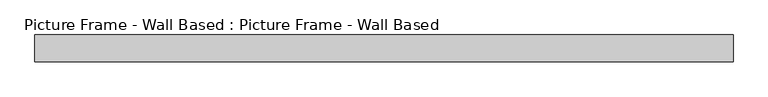
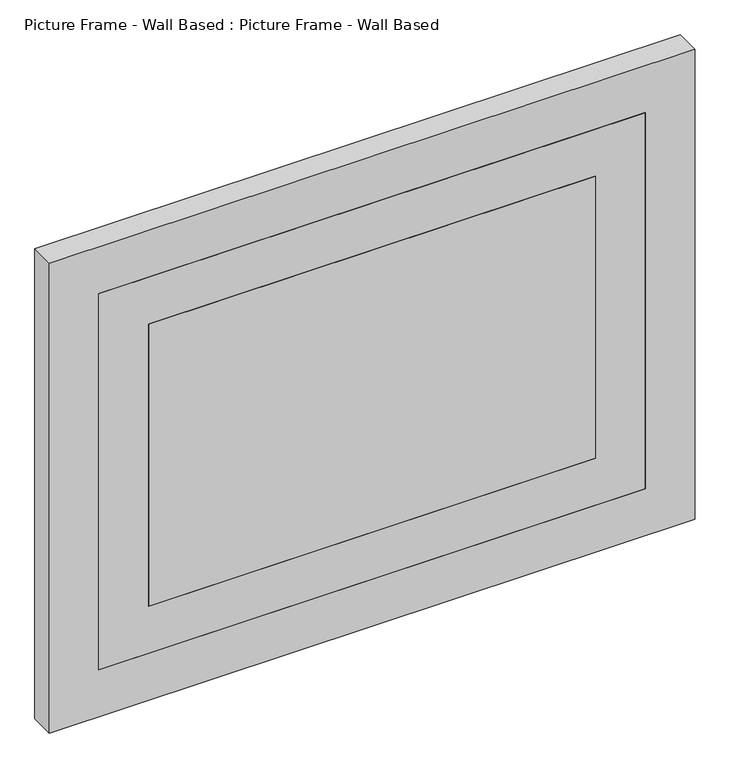
"""IFC4 building model written with IfcOpenShell, lengths in millimetres: proxy geometry, Picture Frame - Wall Based : Picture Frame - Wall Based."""

from ifc_helpers import new_model, si_unit, frame, origin, place, context, project, spatial, polyline, outline, extrude, source, transform, mapped, element, save


def picture_frame_wall_based_picture_frame_wall_based_8cbff1b0(model_context):
    return source(origin(), model_context, "Body", "SweptSolid", [
        extrude(outline(polyline([(457.2, 107.4208333), (457.2, 90.4875), (-457.2, 90.4875), (-457.2, 107.4208333), (457.2, 107.4208333)])), frame((0.0, 0.0, 1459.8323307), z_axis=(0.0, 0.0, 1.0), x_axis=(1.0, 0.0, 0.0)), (0.0, 0.0, 1.0), 609.6),
        extrude(outline(polyline([(1358.2323307, 558.8), (2171.0323307, 558.8), (2171.0323307, -558.8), (1358.2323307, -558.8), (1358.2323307, 558.8)]), holes=[polyline([(1459.8323307, 457.2), (1459.8323307, -457.2), (2069.4323307, -457.2), (2069.4323307, 457.2), (1459.8323307, 457.2)])]), frame((0.0, 90.4875, 0.0), z_axis=(0.0, 1.0, 0.0), x_axis=(0.0, 0.0, 1.0)), (0.0, 0.0, 1.0), 16.9333333),
        extrude(outline(polyline([(1256.6323307, 660.4), (2272.6323307, 660.4), (2272.6323307, -660.4), (1256.6323307, -660.4), (1256.6323307, 660.4)]), holes=[polyline([(1358.2323307, -558.8), (2171.0323307, -558.8), (2171.0323307, 558.8), (1358.2323307, 558.8), (1358.2323307, -558.8)])]), frame((0.0, 90.4875, 0.0), z_axis=(0.0, 1.0, 0.0), x_axis=(0.0, 0.0, 1.0)), (0.0, 0.0, 1.0), 50.8),
    ])


if __name__ == "__main__":
    model = new_model("IFC4")
    model_context = context("Model", 3, world=origin())
    ifc_project = project(units=[si_unit("LENGTHUNIT", "METRE", prefix="MILLI")], contexts=[model_context])
    site = spatial("IfcSite", under=ifc_project)
    building = spatial("IfcBuilding", under=site)
    placement = place(None, origin())
    picture_frame_wall_based_picture_frame_wall_based_shape = picture_frame_wall_based_picture_frame_wall_based_8cbff1b0(model_context)
    element("IfcBuildingElementProxy", 1, Name="Picture Frame - Wall Based : Picture Frame - Wall Based", ObjectType="Picture Frame - Wall Based : Picture Frame - Wall Based", at=placement, inside=building, context=model_context, shape_type="MappedRepresentation", body=[
        mapped(picture_frame_wall_based_picture_frame_wall_based_shape, transform((0.0, 0.0, 0.0), x_axis=(1.0, 0.0, 0.0), y_axis=(0.0, 1.0, 0.0), z_axis=(0.0, 0.0, 1.0))),
    ])
    save(model, "model.ifc")
